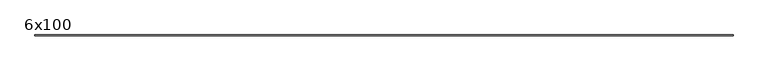
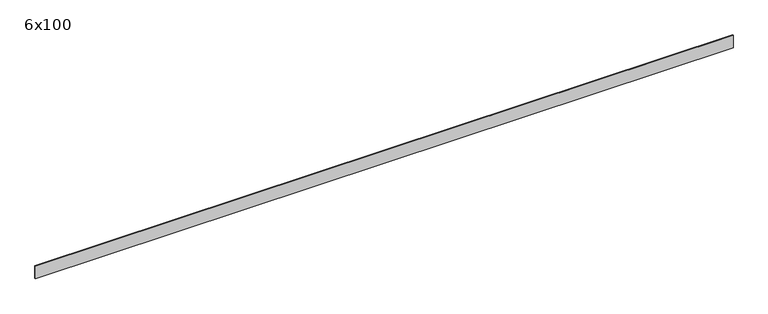
"""IFC4 building model written with IfcOpenShell, lengths in millimetres: beam geometry, 6x100."""

from ifc_helpers import new_model, si_unit, frame, origin, place, context, project, spatial, polyline, outline, extrude, source, transform, mapped, element, save


def beam_6x100_e992fc40(model_context):
    return source(origin(), model_context, "Body", "SweptSolid", [
        extrude(outline(polyline([(2601.3246747, 3.0), (2601.3246747, -3.0), (-2704.1634566, -3.0), (-2704.1634566, 3.0), (2601.3246747, 3.0)])), frame((0.0, 0.0, -50.0), z_axis=(0.0, 0.0, 1.0), x_axis=(1.0, 0.0, 0.0)), (0.0, 0.0, 1.0), 100.0),
    ])


if __name__ == "__main__":
    model = new_model("IFC4")
    model_context = context("Model", 3, world=origin())
    ifc_project = project(units=[si_unit("LENGTHUNIT", "METRE", prefix="MILLI")], contexts=[model_context])
    site = spatial("IfcSite", under=ifc_project)
    building = spatial("IfcBuilding", under=site)
    placement = place(None, origin())
    beam_6x100_shape = beam_6x100_e992fc40(model_context)
    element("IfcBeam", 1, ObjectType="6x100", at=placement, inside=building, context=model_context, shape_type="MappedRepresentation", body=[
        mapped(beam_6x100_shape, transform((0.0, 0.0, 0.0), x_axis=(1.0, 0.0, 0.0), y_axis=(0.0, 1.0, 0.0), z_axis=(0.0, 0.0, 1.0))),
    ])
    save(model, "model.ifc")
